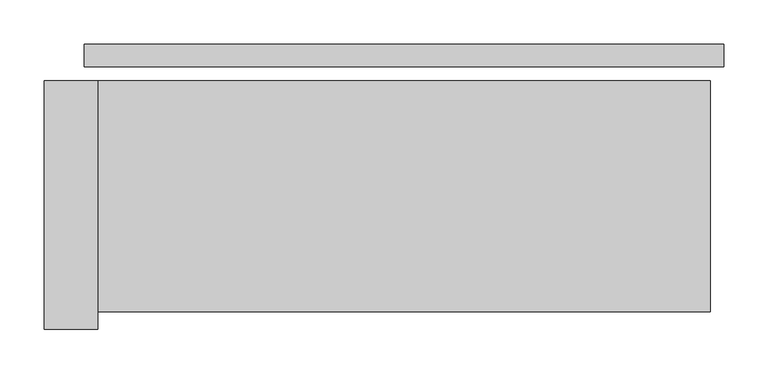
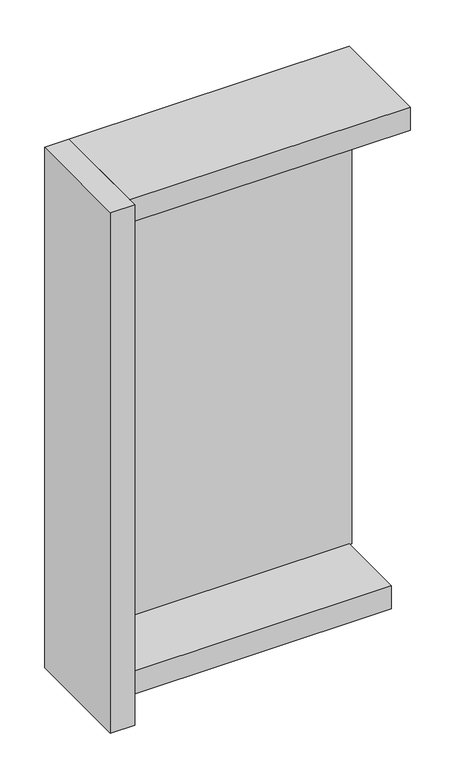
"""IFC4 building model written with IfcOpenShell, lengths in millimetres: plate geometry."""

from ifc_helpers import new_model, si_unit, frame, origin, origin_with_axes, place, context, project, spatial, polyline, outline, extrude, source, transform, mapped, element, save


def plate_1e0725c0(model_context):
    return source(origin(), model_context, "Body", "SweptSolid", [
        extrude(outline(polyline([(360.0, 0.0), (360.0, -25.0), (-360.0, -25.0), (-360.0, 0.0), (360.0, 0.0)])), origin_with_axes(), (0.0, 0.0, 1.0), 1264.465707),
        extrude(outline(polyline([(-345.0, -41.0), (-345.0, -321.0), (-405.0, -321.0), (-405.0, -41.0), (-345.0, -41.0)])), frame((0.0, 0.0, -45.0), z_axis=(0.0, 0.0, 1.0), x_axis=(1.0, 0.0, 0.0)), (0.0, 0.0, 1.0), 1354.465707),
        extrude(outline(polyline([(345.0, -221.0), (-345.0, -221.0), (-345.0, -41.0), (345.0, -41.0), (345.0, -221.0)])), frame((0.0, 0.0, -45.0), z_axis=(0.0, 0.0, 1.0), x_axis=(1.0, 0.0, 0.0)), (0.0, 0.0, 1.0), 60.0),
        extrude(outline(polyline([(345.0, -41.0), (345.0, -301.0), (-345.0, -301.0), (-345.0, -41.0), (345.0, -41.0)])), frame((0.0, 0.0, 1249.465707), z_axis=(0.0, 0.0, 1.0), x_axis=(1.0, 0.0, 0.0)), (0.0, 0.0, 1.0), 60.0),
    ])


if __name__ == "__main__":
    model = new_model("IFC4")
    model_context = context("Model", 3, world=origin())
    ifc_project = project(units=[si_unit("LENGTHUNIT", "METRE", prefix="MILLI")], contexts=[model_context])
    site = spatial("IfcSite", under=ifc_project)
    building = spatial("IfcBuilding", under=site)
    placement = place(None, origin())
    plate_shape = plate_1e0725c0(model_context)
    element("IfcPlate", 1, at=placement, inside=building, context=model_context, shape_type="MappedRepresentation", body=[
        mapped(plate_shape, transform((0.0, 0.0, 0.0), x_axis=(1.0, 0.0, 0.0), y_axis=(0.0, 1.0, 0.0), z_axis=(0.0, 0.0, 1.0))),
    ])
    save(model, "model.ifc")
